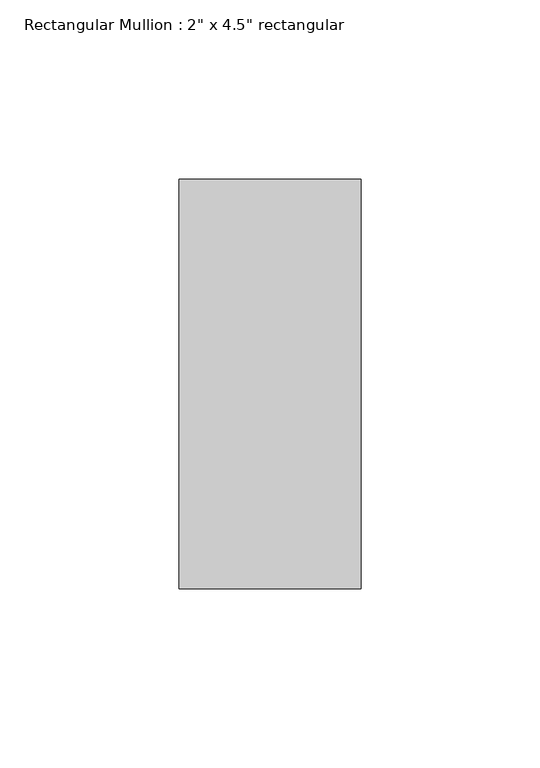
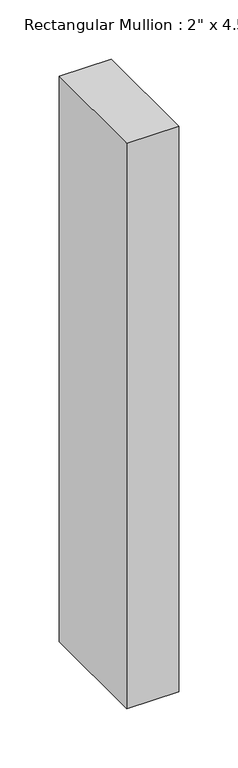
"""IFC4 building model written with IfcOpenShell, lengths in millimetres: member geometry."""

from ifc_helpers import new_model, si_unit, frame, origin, place, context, project, spatial, polyline, outline, extrude, source, transform, mapped, element, save


def member_e58f4152(model_context):
    return source(origin(), model_context, "Body", "SweptSolid", [
        extrude(outline(polyline([(25.4, 57.15), (25.4, -57.15), (-25.4, -57.15), (-25.4, 57.15), (25.4, 57.15)])), frame((0.0, 0.0, -584.2), z_axis=(0.0, 0.0, 1.0), x_axis=(1.0, 0.0, 0.0)), (0.0, 0.0, 1.0), 584.2),
    ])


if __name__ == "__main__":
    model = new_model("IFC4")
    model_context = context("Model", 3, world=origin())
    ifc_project = project(units=[si_unit("LENGTHUNIT", "METRE", prefix="MILLI")], contexts=[model_context])
    site = spatial("IfcSite", under=ifc_project)
    building = spatial("IfcBuilding", under=site)
    placement = place(None, origin())
    member_shape = member_e58f4152(model_context)
    element("IfcMember", 1, ObjectType="Rectangular Mullion : 2\" x 4.5\" rectangular", at=placement, inside=building, context=model_context, shape_type="MappedRepresentation", body=[
        mapped(member_shape, transform((0.0, 0.0, 0.0), x_axis=(1.0, 0.0, 0.0), y_axis=(0.0, 1.0, 0.0), z_axis=(0.0, 0.0, 1.0))),
    ])
    save(model, "model.ifc")
